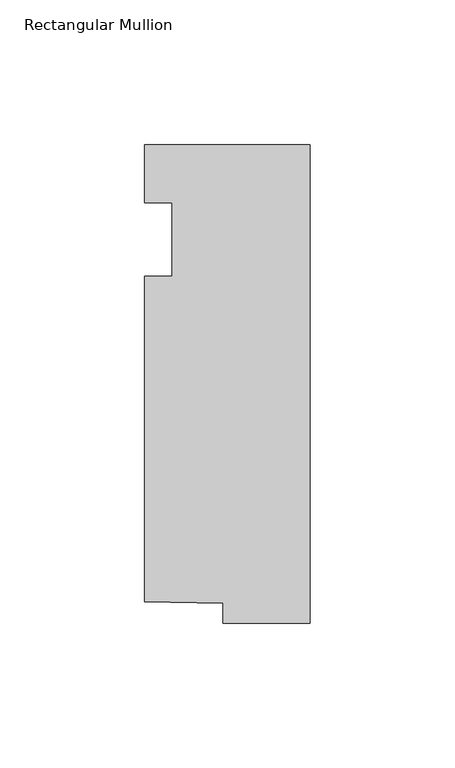
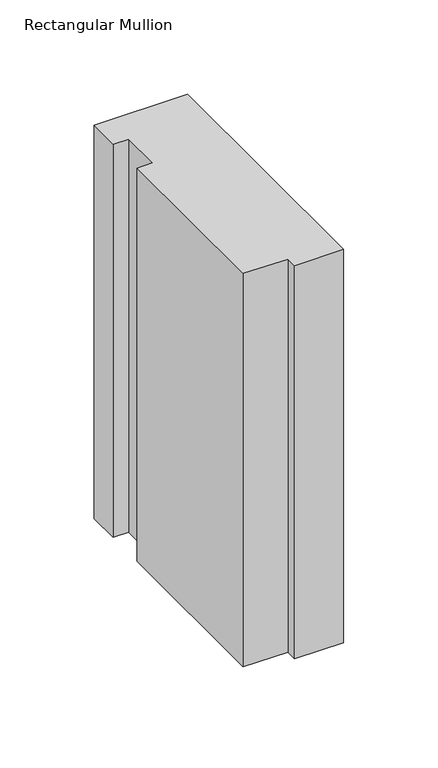
"""IFC4 building model written with IfcOpenShell, lengths in millimetres: member geometry, Rectangular Mullion."""

import ifcopenshell
import ifcopenshell.guid

model = None  # the IFC model being written
_history = None  # IfcOwnerHistory: only IFC2X3 demands one
_inside = {}  # id of a spatial element -> (the spatial element, [elements in it])
_under = {}  # id of a project, library or spatial element -> (it, [spatial elements below it])
_declared = {}  # id of a project -> (the project, [libraries it declares])
_typed = {}  # id of a type object -> (the type object, [elements of that type])
_made_of = {}  # id of a material, layer set ... -> (it, [elements and type objects made of it])


def new_model(schema):
    """Start an empty IFC model of exactly this schema.

    Asked for "IFC4X3", IfcOpenShell would pick the latest addendum, in which some entities
    have other attributes; the version numbers below select the first issue.
    IFC2X3 requires an IfcOwnerHistory on every rooted entity: one is made here for all.
    """
    global model, _history
    if schema == "IFC4X3":
        model = ifcopenshell.file(schema_version=(4, 3, 0, 0))
    else:
        model = ifcopenshell.file(schema=schema)
    _inside.clear()
    _under.clear()
    _declared.clear()
    _typed.clear()
    _made_of.clear()
    _history = None
    if model.schema == "IFC2X3":
        org = make("IfcOrganization", Name="unknown")
        user = make(
            "IfcPersonAndOrganization",
            ThePerson=make("IfcPerson", FamilyName="unknown"),
            TheOrganization=org,
        )
        app = make(
            "IfcApplication",
            ApplicationDeveloper=org,
            Version="unknown",
            ApplicationFullName="unknown",
            ApplicationIdentifier="unknown",
        )
        _history = make(
            "IfcOwnerHistory",
            OwningUser=user,
            OwningApplication=app,
            ChangeAction="ADDED",
            CreationDate=0,
        )
    return model


def make(cls, **values):
    """One entity of the class cls with the attributes given. An attribute that is None is left unset."""
    return model.create_entity(
        cls, **{name: value for name, value in values.items() if value is not None}
    )


def rooted(cls, **values):
    """An entity with a GlobalId (a new one), such as an element, a storey or a relation."""
    return make(cls, GlobalId=ifcopenshell.guid.new(), OwnerHistory=_history, **values)


def si_unit(unit_type, name, prefix=None):
    """IfcSIUnit, for example si_unit("LENGTHUNIT", "METRE", prefix="MILLI")."""
    return make("IfcSIUnit", UnitType=unit_type, Prefix=prefix, Name=name)


def assignment(units):
    """IfcUnitAssignment: the units of a project."""
    return None if units is None else make("IfcUnitAssignment", Units=units)


def point(xyz):
    """IfcCartesianPoint."""
    return None if xyz is None else make("IfcCartesianPoint", Coordinates=xyz)


def direction(xyz):
    """IfcDirection."""
    return None if xyz is None else make("IfcDirection", DirectionRatios=xyz)


def frame(location, z_axis=None, x_axis=None):
    """IfcAxis2Placement3D, a coordinate frame: its origin and axes. An axis left out is left unset."""
    return make(
        "IfcAxis2Placement3D",
        Location=point(location),
        Axis=direction(z_axis),
        RefDirection=direction(x_axis),
    )


def origin():
    """The frame at (0, 0, 0) with its axes left unset."""
    return frame((0.0, 0.0, 0.0))


def place(relative_to, where):
    """IfcLocalPlacement: puts the frame where relative to a parent placement (None: the world)."""
    return make(
        "IfcLocalPlacement", PlacementRelTo=relative_to, RelativePlacement=where
    )


def context(
    kind, dimensions, precision=None, world=None, true_north=None, identifier=None
):
    """IfcGeometricRepresentationContext, for example the 3D "Model" context."""
    return make(
        "IfcGeometricRepresentationContext",
        ContextIdentifier=identifier,
        ContextType=kind,
        CoordinateSpaceDimension=dimensions,
        Precision=precision,
        WorldCoordinateSystem=world,
        TrueNorth=true_north,
    )


def project(units=None, contexts=None):
    """IfcProject with its units and contexts."""
    return rooted(
        "IfcProject",
        Name="project",
        RepresentationContexts=contexts,
        UnitsInContext=assignment(units),
    )


def spatial(cls, under=None, at=None, **own):
    """A site, building, storey or space (cls), placed at a placement, below another one or the project."""
    s = rooted(cls, ObjectPlacement=at, **own)
    if under is not None:
        _under.setdefault(under.id(), (under, []))[1].append(s)
    return s


def polyline(points):
    """IfcPolyline through the points."""
    return make("IfcPolyline", Points=[point(p) for p in points])


def outline(outer, holes=None, kind="AREA"):
    """IfcArbitraryClosedProfileDef: a profile drawn as a closed curve; with holes, ...WithVoids."""
    if holes is None:
        return make("IfcArbitraryClosedProfileDef", ProfileType=kind, OuterCurve=outer)
    return make(
        "IfcArbitraryProfileDefWithVoids",
        ProfileType=kind,
        OuterCurve=outer,
        InnerCurves=holes,
    )


def extrude(swept, where, along, depth):
    """IfcExtrudedAreaSolid: the profile swept, set in the frame where, extruded along a direction by depth."""
    return make(
        "IfcExtrudedAreaSolid",
        SweptArea=swept,
        Position=where,
        ExtrudedDirection=direction(along),
        Depth=depth,
    )


def shape(context_of_items, identifier, shape_type, items):
    """IfcShapeRepresentation: the items that make up one representation, for example the "Body"."""
    return make(
        "IfcShapeRepresentation",
        ContextOfItems=context_of_items,
        RepresentationIdentifier=identifier,
        RepresentationType=shape_type,
        Items=items,
    )


def source(mapping_origin, context_of_items, identifier, shape_type, items):
    """IfcRepresentationMap: a shape defined once, which mapped items show again and again."""
    return make(
        "IfcRepresentationMap",
        MappingOrigin=mapping_origin,
        MappedRepresentation=shape(context_of_items, identifier, shape_type, items),
    )


def transform(
    local_origin,
    x_axis=None,
    y_axis=None,
    z_axis=None,
    scale=None,
    scale2=None,
    scale3=None,
    uniform=True,
):
    """IfcCartesianTransformationOperator3D, or its non-uniform kind. x_axis, y_axis, z_axis: its Axis1, 2, 3."""
    if uniform:
        return make(
            "IfcCartesianTransformationOperator3D",
            Axis1=direction(x_axis),
            Axis2=direction(y_axis),
            LocalOrigin=point(local_origin),
            Scale=scale,
            Axis3=direction(z_axis),
        )
    return make(
        "IfcCartesianTransformationOperator3DnonUniform",
        Axis1=direction(x_axis),
        Axis2=direction(y_axis),
        LocalOrigin=point(local_origin),
        Scale=scale,
        Axis3=direction(z_axis),
        Scale2=scale2,
        Scale3=scale3,
    )


def mapped(mapping_source, mapping_target):
    """IfcMappedItem: shows the shape of a source again, moved by a transform."""
    return make(
        "IfcMappedItem", MappingSource=mapping_source, MappingTarget=mapping_target
    )


def made_of(thing, what):
    """Note that an element or type object is made of a material, layer set ...; save() writes the relation."""
    if what is not None:
        _made_of.setdefault(what.id(), (what, []))[1].append(thing)
    return thing


def element(
    cls,
    number,
    at=None,
    inside=None,
    cuts=None,
    type_object=None,
    material=None,
    context=None,
    identifier="Body",
    shape_type=None,
    held_by="IfcProductDefinitionShape",
    body=None,
    shapes=None,
    **own,
):
    """One element of the class cls, such as IfcWall. Its Tag is "e" and its number.

    at: its placement. inside: the storey or other place that contains it. cuts: it is an
    opening in that element (IfcRelVoidsElement). A single representation is given by context,
    identifier, shape_type and body (its items); several are given by shapes. held_by: the class
    of the entity that holds the representations. save() writes the other relations.
    """
    e = rooted(cls, Tag="e%d" % number, ObjectPlacement=at, **own)
    if body is not None:
        shapes = [shape(context, identifier, shape_type, body)]
    if shapes is not None:
        e.Representation = make(held_by, Representations=shapes)
    if inside is not None:
        _inside.setdefault(inside.id(), (inside, []))[1].append(e)
    if cuts is not None:
        rooted(
            "IfcRelVoidsElement", RelatingBuildingElement=cuts, RelatedOpeningElement=e
        )
    if type_object is not None:
        _typed.setdefault(type_object.id(), (type_object, []))[1].append(e)
    return made_of(e, material)


def aggregate(whole, parts):
    """IfcRelAggregates: a whole, such as a stair, and the parts it consists of."""
    return rooted("IfcRelAggregates", RelatingObject=whole, RelatedObjects=parts)


def save(model, path):
    """Write the relations noted so far, then the file.

    IfcRelAggregates (storeys below a building ...), IfcRelContainedInSpatialStructure (elements
    in a storey), IfcRelDefinesByType, IfcRelAssociatesMaterial and IfcRelDeclares: one each for
    every whole, place, type object, material and project.
    """
    for whole, parts in _under.values():
        aggregate(whole, parts)
    for where, things in _inside.values():
        rooted(
            "IfcRelContainedInSpatialStructure",
            RelatedElements=things,
            RelatingStructure=where,
        )
    for kind, things in _typed.values():
        rooted("IfcRelDefinesByType", RelatedObjects=things, RelatingType=kind)
    for what, things in _made_of.values():
        rooted("IfcRelAssociatesMaterial", RelatedObjects=things, RelatingMaterial=what)
    for by, libraries in _declared.values():
        rooted("IfcRelDeclares", RelatingContext=by, RelatedDefinitions=libraries)
    model.write(path)


def rectangular_mullion_3dab7d67(model_context):
    return source(origin(), model_context, "Body", "SweptSolid", [
        extrude(outline(polyline([(-57.15, 20.0421875), (0.0, 20.0421875), (0.0, -145.0578125), (-30.1058007, -145.0578125), (-30.1058007, -138.1500349), (-57.15, -137.6601403), (-57.15, -25.4), (-47.625, -25.4), (-47.625, 0.0), (-57.15, 0.0), (-57.15, 20.0421875)])), frame((0.0, 0.0, -254.0), z_axis=(0.0, 0.0, 1.0), x_axis=(1.0, 0.0, 0.0)), (0.0, 0.0, 1.0), 254.0),
    ])


if __name__ == "__main__":
    model = new_model("IFC4")
    model_context = context("Model", 3, world=origin())
    ifc_project = project(units=[si_unit("LENGTHUNIT", "METRE", prefix="MILLI")], contexts=[model_context])
    site = spatial("IfcSite", under=ifc_project)
    building = spatial("IfcBuilding", under=site)
    placement = place(None, origin())
    rectangular_mullion_shape = rectangular_mullion_3dab7d67(model_context)
    element("IfcMember", 1, ObjectType="Rectangular Mullion", at=placement, inside=building, context=model_context, shape_type="MappedRepresentation", body=[
        mapped(rectangular_mullion_shape, transform((0.0, 0.0, 0.0), x_axis=(1.0, 0.0, 0.0), y_axis=(0.0, 1.0, 0.0), z_axis=(0.0, 0.0, 1.0))),
    ])
    save(model, "model.ifc")
